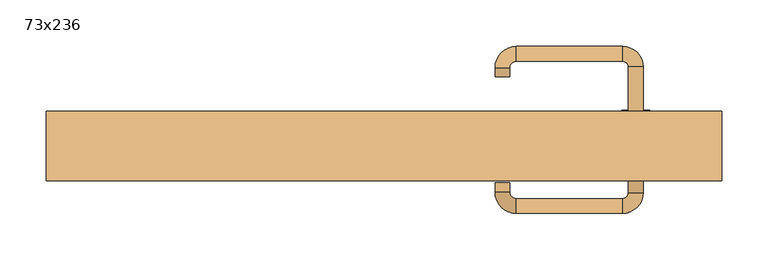
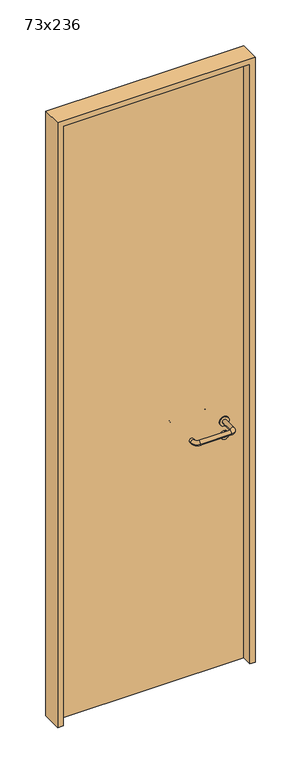
"""IFC4 building model written with IfcOpenShell, lengths in millimetres: door geometry, 73x236."""

import ifcopenshell
import ifcopenshell.guid

model = None  # the IFC model being written
_history = None  # IfcOwnerHistory: only IFC2X3 demands one
_inside = {}  # id of a spatial element -> (the spatial element, [elements in it])
_under = {}  # id of a project, library or spatial element -> (it, [spatial elements below it])
_declared = {}  # id of a project -> (the project, [libraries it declares])
_typed = {}  # id of a type object -> (the type object, [elements of that type])
_made_of = {}  # id of a material, layer set ... -> (it, [elements and type objects made of it])


def new_model(schema):
    """Start an empty IFC model of exactly this schema.

    Asked for "IFC4X3", IfcOpenShell would pick the latest addendum, in which some entities
    have other attributes; the version numbers below select the first issue.
    IFC2X3 requires an IfcOwnerHistory on every rooted entity: one is made here for all.
    """
    global model, _history
    if schema == "IFC4X3":
        model = ifcopenshell.file(schema_version=(4, 3, 0, 0))
    else:
        model = ifcopenshell.file(schema=schema)
    _inside.clear()
    _under.clear()
    _declared.clear()
    _typed.clear()
    _made_of.clear()
    _history = None
    if model.schema == "IFC2X3":
        org = make("IfcOrganization", Name="unknown")
        user = make(
            "IfcPersonAndOrganization",
            ThePerson=make("IfcPerson", FamilyName="unknown"),
            TheOrganization=org,
        )
        app = make(
            "IfcApplication",
            ApplicationDeveloper=org,
            Version="unknown",
            ApplicationFullName="unknown",
            ApplicationIdentifier="unknown",
        )
        _history = make(
            "IfcOwnerHistory",
            OwningUser=user,
            OwningApplication=app,
            ChangeAction="ADDED",
            CreationDate=0,
        )
    return model


def make(cls, **values):
    """One entity of the class cls with the attributes given. An attribute that is None is left unset."""
    return model.create_entity(
        cls, **{name: value for name, value in values.items() if value is not None}
    )


def rooted(cls, **values):
    """An entity with a GlobalId (a new one), such as an element, a storey or a relation."""
    return make(cls, GlobalId=ifcopenshell.guid.new(), OwnerHistory=_history, **values)


def si_unit(unit_type, name, prefix=None):
    """IfcSIUnit, for example si_unit("LENGTHUNIT", "METRE", prefix="MILLI")."""
    return make("IfcSIUnit", UnitType=unit_type, Prefix=prefix, Name=name)


def assignment(units):
    """IfcUnitAssignment: the units of a project."""
    return None if units is None else make("IfcUnitAssignment", Units=units)


def point(xyz):
    """IfcCartesianPoint."""
    return None if xyz is None else make("IfcCartesianPoint", Coordinates=xyz)


def direction(xyz):
    """IfcDirection."""
    return None if xyz is None else make("IfcDirection", DirectionRatios=xyz)


def frame(location, z_axis=None, x_axis=None):
    """IfcAxis2Placement3D, a coordinate frame: its origin and axes. An axis left out is left unset."""
    return make(
        "IfcAxis2Placement3D",
        Location=point(location),
        Axis=direction(z_axis),
        RefDirection=direction(x_axis),
    )


def frame_2d(location, x_axis=None):
    """IfcAxis2Placement2D, a coordinate frame in the plane: its origin and x axis."""
    return make(
        "IfcAxis2Placement2D", Location=point(location), RefDirection=direction(x_axis)
    )


def origin():
    """The frame at (0, 0, 0) with its axes left unset."""
    return frame((0.0, 0.0, 0.0))


def origin_with_axes():
    """The frame at (0, 0, 0) with the z axis (0, 0, 1) and the x axis (1, 0, 0) written out."""
    return frame((0.0, 0.0, 0.0), z_axis=(0.0, 0.0, 1.0), x_axis=(1.0, 0.0, 0.0))


def place(relative_to, where):
    """IfcLocalPlacement: puts the frame where relative to a parent placement (None: the world)."""
    return make(
        "IfcLocalPlacement", PlacementRelTo=relative_to, RelativePlacement=where
    )


def context(
    kind, dimensions, precision=None, world=None, true_north=None, identifier=None
):
    """IfcGeometricRepresentationContext, for example the 3D "Model" context."""
    return make(
        "IfcGeometricRepresentationContext",
        ContextIdentifier=identifier,
        ContextType=kind,
        CoordinateSpaceDimension=dimensions,
        Precision=precision,
        WorldCoordinateSystem=world,
        TrueNorth=true_north,
    )


def project(units=None, contexts=None):
    """IfcProject with its units and contexts."""
    return rooted(
        "IfcProject",
        Name="project",
        RepresentationContexts=contexts,
        UnitsInContext=assignment(units),
    )


def spatial(cls, under=None, at=None, **own):
    """A site, building, storey or space (cls), placed at a placement, below another one or the project."""
    s = rooted(cls, ObjectPlacement=at, **own)
    if under is not None:
        _under.setdefault(under.id(), (under, []))[1].append(s)
    return s


def polyline(points):
    """IfcPolyline through the points."""
    return make("IfcPolyline", Points=[point(p) for p in points])


def circle_curve(where, radius):
    """IfcCircle in the frame where."""
    return make("IfcCircle", Position=where, Radius=radius)


def ellipse_curve(where, semi_axis1, semi_axis2):
    """IfcEllipse in the frame where."""
    return make(
        "IfcEllipse", Position=where, SemiAxis1=semi_axis1, SemiAxis2=semi_axis2
    )


def trimmed(basis, trim1, trim2, sense, master):
    """IfcTrimmedCurve: the piece of a basis curve between two trims."""
    return make(
        "IfcTrimmedCurve",
        BasisCurve=basis,
        Trim1=trim1,
        Trim2=trim2,
        SenseAgreement=sense,
        MasterRepresentation=master,
    )


def segment(curve, same_sense, transition):
    """IfcCompositeCurveSegment."""
    return make(
        "IfcCompositeCurveSegment",
        Transition=transition,
        SameSense=same_sense,
        ParentCurve=curve,
    )


def composite_curve(segments, self_intersect=None):
    """IfcCompositeCurve: segments joined end to end."""
    return make("IfcCompositeCurve", Segments=segments, SelfIntersect=self_intersect)


def outline(outer, holes=None, kind="AREA"):
    """IfcArbitraryClosedProfileDef: a profile drawn as a closed curve; with holes, ...WithVoids."""
    if holes is None:
        return make("IfcArbitraryClosedProfileDef", ProfileType=kind, OuterCurve=outer)
    return make(
        "IfcArbitraryProfileDefWithVoids",
        ProfileType=kind,
        OuterCurve=outer,
        InnerCurves=holes,
    )


def extrude(swept, where, along, depth):
    """IfcExtrudedAreaSolid: the profile swept, set in the frame where, extruded along a direction by depth."""
    return make(
        "IfcExtrudedAreaSolid",
        SweptArea=swept,
        Position=where,
        ExtrudedDirection=direction(along),
        Depth=depth,
    )


def shape(context_of_items, identifier, shape_type, items):
    """IfcShapeRepresentation: the items that make up one representation, for example the "Body"."""
    return make(
        "IfcShapeRepresentation",
        ContextOfItems=context_of_items,
        RepresentationIdentifier=identifier,
        RepresentationType=shape_type,
        Items=items,
    )


def source(mapping_origin, context_of_items, identifier, shape_type, items):
    """IfcRepresentationMap: a shape defined once, which mapped items show again and again."""
    return make(
        "IfcRepresentationMap",
        MappingOrigin=mapping_origin,
        MappedRepresentation=shape(context_of_items, identifier, shape_type, items),
    )


def transform(
    local_origin,
    x_axis=None,
    y_axis=None,
    z_axis=None,
    scale=None,
    scale2=None,
    scale3=None,
    uniform=True,
):
    """IfcCartesianTransformationOperator3D, or its non-uniform kind. x_axis, y_axis, z_axis: its Axis1, 2, 3."""
    if uniform:
        return make(
            "IfcCartesianTransformationOperator3D",
            Axis1=direction(x_axis),
            Axis2=direction(y_axis),
            LocalOrigin=point(local_origin),
            Scale=scale,
            Axis3=direction(z_axis),
        )
    return make(
        "IfcCartesianTransformationOperator3DnonUniform",
        Axis1=direction(x_axis),
        Axis2=direction(y_axis),
        LocalOrigin=point(local_origin),
        Scale=scale,
        Axis3=direction(z_axis),
        Scale2=scale2,
        Scale3=scale3,
    )


def mapped(mapping_source, mapping_target):
    """IfcMappedItem: shows the shape of a source again, moved by a transform."""
    return make(
        "IfcMappedItem", MappingSource=mapping_source, MappingTarget=mapping_target
    )


def made_of(thing, what):
    """Note that an element or type object is made of a material, layer set ...; save() writes the relation."""
    if what is not None:
        _made_of.setdefault(what.id(), (what, []))[1].append(thing)
    return thing


def element(
    cls,
    number,
    at=None,
    inside=None,
    cuts=None,
    type_object=None,
    material=None,
    context=None,
    identifier="Body",
    shape_type=None,
    held_by="IfcProductDefinitionShape",
    body=None,
    shapes=None,
    **own,
):
    """One element of the class cls, such as IfcWall. Its Tag is "e" and its number.

    at: its placement. inside: the storey or other place that contains it. cuts: it is an
    opening in that element (IfcRelVoidsElement). A single representation is given by context,
    identifier, shape_type and body (its items); several are given by shapes. held_by: the class
    of the entity that holds the representations. save() writes the other relations.
    """
    e = rooted(cls, Tag="e%d" % number, ObjectPlacement=at, **own)
    if body is not None:
        shapes = [shape(context, identifier, shape_type, body)]
    if shapes is not None:
        e.Representation = make(held_by, Representations=shapes)
    if inside is not None:
        _inside.setdefault(inside.id(), (inside, []))[1].append(e)
    if cuts is not None:
        rooted(
            "IfcRelVoidsElement", RelatingBuildingElement=cuts, RelatedOpeningElement=e
        )
    if type_object is not None:
        _typed.setdefault(type_object.id(), (type_object, []))[1].append(e)
    return made_of(e, material)


def aggregate(whole, parts):
    """IfcRelAggregates: a whole, such as a stair, and the parts it consists of."""
    return rooted("IfcRelAggregates", RelatingObject=whole, RelatedObjects=parts)


def save(model, path):
    """Write the relations noted so far, then the file.

    IfcRelAggregates (storeys below a building ...), IfcRelContainedInSpatialStructure (elements
    in a storey), IfcRelDefinesByType, IfcRelAssociatesMaterial and IfcRelDeclares: one each for
    every whole, place, type object, material and project.
    """
    for whole, parts in _under.values():
        aggregate(whole, parts)
    for where, things in _inside.values():
        rooted(
            "IfcRelContainedInSpatialStructure",
            RelatedElements=things,
            RelatingStructure=where,
        )
    for kind, things in _typed.values():
        rooted("IfcRelDefinesByType", RelatedObjects=things, RelatingType=kind)
    for what, things in _made_of.values():
        rooted("IfcRelAssociatesMaterial", RelatedObjects=things, RelatingMaterial=what)
    for by, libraries in _declared.values():
        rooted("IfcRelDeclares", RelatingContext=by, RelatedDefinitions=libraries)
    model.write(path)


def plane_surface(at):
    """IfcPlane: the flat surface through the origin of the frame at, square to its z axis."""
    return make("IfcPlane", Position=at)


def cylinder_surface(at, radius):
    """IfcCylindricalSurface: all points at the distance radius from the z axis of the frame at."""
    return make("IfcCylindricalSurface", Position=at, Radius=radius)


def revolved_surface(curve, axis_point, axis_direction):
    """IfcSurfaceOfRevolution: the curve turned about the line through axis_point along axis_direction."""
    return make(
        "IfcSurfaceOfRevolution",
        SweptCurve=make("IfcArbitraryOpenProfileDef", ProfileType="CURVE", Curve=curve),
        AxisPosition=make("IfcAxis1Placement", Location=point(axis_point), Axis=direction(axis_direction)),
    )


def advanced_brep(points, edges, surfaces, faces):
    """IfcAdvancedBrep: a solid bounded by faces that lie on surfaces and meet in shared edges.

    An edge is (start, end): straight between two places in points (the first is 0);
    or (start, end, curve); or (start, end, curve, False) where it runs against its curve.
    A face is (place in surfaces, loops), or (place, loops, False) where it looks against
    its surface's normal. A loop lists edges by number (the first is 1), with a minus sign
    where the edge is run from its end to its start. The first loop is the outer one.
    """
    corners = [point(p) for p in points]
    vertices = [make("IfcVertexPoint", VertexGeometry=c) for c in corners]
    made = []
    for start, end, *more in edges:
        made.append(
            make(
                "IfcEdgeCurve",
                EdgeStart=vertices[start],
                EdgeEnd=vertices[end],
                EdgeGeometry=more[0] if more else make("IfcPolyline", Points=[corners[start], corners[end]]),
                SameSense=more[1] if len(more) > 1 else True,
            )
        )
    hull = []
    for where, loops, *sense in faces:
        bounds = []
        for j, loop in enumerate(loops):
            ring = [make("IfcOrientedEdge", EdgeElement=made[abs(k) - 1], Orientation=k > 0) for k in loop]
            bounds.append(
                make(
                    "IfcFaceOuterBound" if j == 0 else "IfcFaceBound",
                    Bound=make("IfcEdgeLoop", EdgeList=ring),
                    Orientation=True,
                )
            )
        hull.append(make("IfcAdvancedFace", Bounds=bounds, FaceSurface=surfaces[where], SameSense=sense[0] if sense else True))
    return make("IfcAdvancedBrep", Outer=make("IfcClosedShell", CfsFaces=hull))


def door_73x236_fe212441(model_context):
    return source(origin(), model_context, "Body", "SolidModel", [
        extrude(outline(composite_curve([segment(trimmed(circle_curve(frame_2d((897.3605726, 272.0)), 15.0), [point((897.3605726, 287.0))], [point((897.3605726, 257.0))], False, "CARTESIAN"), True, "CONTINUOUS"), segment(trimmed(circle_curve(frame_2d((897.3605726, 272.0)), 15.0), [point((897.3605726, 257.0))], [point((897.3605726, 287.0))], False, "CARTESIAN"), True, "CONTINUOUS")], self_intersect=False), holes=[composite_curve([segment(trimmed(circle_curve(frame_2d((892.5833211, 271.9398032)), 2.0), [point((892.5833211, 273.9398032))], [point((892.5833211, 269.9398032))], True, "CARTESIAN"), True, "CONTINUOUS"), segment(polyline([(892.5833211, 269.9398032), (902.5833211, 269.9398032)]), True, "CONTINUOUS"), segment(trimmed(circle_curve(frame_2d((902.5833211, 271.9398032)), 2.0), [point((902.5833211, 269.9398032))], [point((902.5833211, 273.9398032))], True, "CARTESIAN"), True, "CONTINUOUS"), segment(polyline([(902.5833211, 273.9398032), (892.5833211, 273.9398032)]), True, "CONTINUOUS")], self_intersect=False)]), frame((0.0, 21.15, 0.0), z_axis=(0.0, 1.0, 0.0), x_axis=(0.0, 0.0, 1.0)), (0.0, 0.0, 1.0), 6.35),
        extrude(outline(composite_curve([segment(trimmed(circle_curve(frame_2d((950.0, 272.0)), 17.526), [point((950.0, 289.526))], [point((950.0, 254.474))], False, "CARTESIAN"), True, "CONTINUOUS"), segment(trimmed(circle_curve(frame_2d((950.0, 272.0)), 17.526), [point((950.0, 254.474))], [point((950.0, 289.526))], False, "CARTESIAN"), True, "CONTINUOUS")], self_intersect=False)), frame((0.0, 24.325, 0.0), z_axis=(0.0, 1.0, 0.0), x_axis=(0.0, 0.0, 1.0)), (0.0, 0.0, 1.0), 3.175),
        advanced_brep(
        [(280.0, 27.5, 950.0), (264.0, 27.5, 950.0), (264.0, -25.5, 950.0), (280.0, -25.5, 950.0), (257.8578644, -31.6421356, 950.0), (257.8578644, -47.6421356, 950.0), (142.8578644, -31.6421356, 950.0), (142.8578644, -47.6421356, 950.0), (136.008622, -24.7928932, 950.0), (120.008622, -24.7928932, 950.0), (120.008622, -14.7928932, 950.0), (136.008622, -14.7928932, 950.0)],
        [
            (0, 1, circle_curve(frame((272.0, 27.5, 950.0), z_axis=(0.0, 1.0, 0.0), x_axis=(-1.0, 0.0, 0.0)), 8.0)),
            (1, 0, circle_curve(frame((272.0, 27.5, 950.0), z_axis=(0.0, 1.0, 0.0), x_axis=(-1.0, 0.0, 0.0)), 8.0)),
            (1, 2),
            (2, 3, circle_curve(frame((272.0, -25.5, 950.0), z_axis=(0.0, 1.0, 0.0), x_axis=(-1.0, 0.0, 0.0)), 8.0)),
            (3, 0),
            (3, 2, circle_curve(frame((272.0, -25.5, 950.0), z_axis=(0.0, 1.0, 0.0), x_axis=(-1.0, 0.0, 0.0)), 8.0)),
            (4, 5, circle_curve(frame((257.8578644, -39.6421356, 950.0), z_axis=(1.0, 0.0, 0.0), x_axis=(0.0, 1.0, 0.0)), 8.0)),
            (5, 3, circle_curve(frame((257.8578644, -25.5, 950.0), z_axis=(0.0, 0.0, 1.0), x_axis=(1.0, 0.0, 0.0)), 22.1421356)),
            (2, 4, circle_curve(frame((257.8578644, -25.5, 950.0), z_axis=(0.0, 0.0, -1.0), x_axis=(1.0, 0.0, 0.0)), 6.1421356)),
            (5, 4, circle_curve(frame((257.8578644, -39.6421356, 950.0), z_axis=(1.0, 0.0, 0.0), x_axis=(0.0, 1.0, 0.0)), 8.0)),
            (4, 6),
            (6, 7, circle_curve(frame((142.8578644, -39.6421356, 950.0), z_axis=(1.0, 0.0, 0.0), x_axis=(0.0, 1.0, 0.0)), 8.0)),
            (7, 5),
            (7, 6, circle_curve(frame((142.8578644, -39.6421356, 950.0), z_axis=(1.0, 0.0, 0.0), x_axis=(0.0, 1.0, 0.0)), 8.0)),
            (8, 9, circle_curve(frame((128.008622, -24.7928932, 950.0), z_axis=(0.0, -1.0, 0.0), x_axis=(1.0, 0.0, 0.0)), 8.0)),
            (9, 7, circle_curve(frame((142.8578644, -24.7928932, 950.0), z_axis=(0.0, 0.0, 1.0), x_axis=(0.0, -1.0, 0.0)), 22.8492424)),
            (6, 8, circle_curve(frame((142.8578644, -24.7928932, 950.0), z_axis=(0.0, 0.0, -1.0), x_axis=(0.0, -1.0, 0.0)), 6.8492424)),
            (9, 8, circle_curve(frame((128.008622, -24.7928932, 950.0), z_axis=(0.0, -1.0, 0.0), x_axis=(1.0, 0.0, 0.0)), 8.0)),
            (10, 11, circle_curve(frame((128.008622, -14.7928932, 950.0), z_axis=(0.0, 1.0, 0.0), x_axis=(1.0, 0.0, 0.0)), 8.0)),
            (11, 10, circle_curve(frame((128.008622, -14.7928932, 950.0), z_axis=(0.0, 1.0, 0.0), x_axis=(1.0, 0.0, 0.0)), 8.0)),
            (8, 11),
            (10, 9),
        ],
        [
            plane_surface(frame((272.0, 27.5, 0.0), z_axis=(0.0, 1.0, 0.0), x_axis=(0.0, 0.0, 1.0))),
            cylinder_surface(frame((272.0, 27.5, 950.0), z_axis=(0.0, 1.0, 0.0), x_axis=(-1.0, 0.0, 0.0)), 8.0),
            revolved_surface(trimmed(ellipse_curve(frame((272.0, -25.5, 950.0), z_axis=(0.0, -1.0, 0.0), x_axis=(-1.0, 0.0, 0.0)), 8.0, 8.0), [point((280.0, -25.5, 950.0))], [point((264.0, -25.5, 950.0))], True, "CARTESIAN"), (257.8578644, -25.5, 0.0), (0.0, 0.0, 1.0)),
            revolved_surface(trimmed(ellipse_curve(frame((272.0, -25.5, 950.0), z_axis=(0.0, -1.0, 0.0), x_axis=(-1.0, 0.0, 0.0)), 8.0, 8.0), [point((264.0, -25.5, 950.0))], [point((280.0, -25.5, 950.0))], True, "CARTESIAN"), (257.8578644, -25.5, 0.0), (0.0, 0.0, 1.0)),
            cylinder_surface(frame((257.8578644, -39.6421356, 950.0), z_axis=(1.0, 0.0, 0.0), x_axis=(0.0, 1.0, 0.0)), 8.0),
            revolved_surface(trimmed(ellipse_curve(frame((142.8578644, -39.6421356, 950.0), z_axis=(-1.0, 0.0, 0.0), x_axis=(0.0, 1.0, 0.0)), 8.0, 8.0), [point((142.8578644, -47.6421356, 950.0))], [point((142.8578644, -31.6421356, 950.0))], True, "CARTESIAN"), (142.8578644, -24.7928932, 0.0), (0.0, 0.0, 1.0)),
            revolved_surface(trimmed(ellipse_curve(frame((142.8578644, -39.6421356, 950.0), z_axis=(-1.0, 0.0, 0.0), x_axis=(0.0, 1.0, 0.0)), 8.0, 8.0), [point((142.8578644, -31.6421356, 950.0))], [point((142.8578644, -47.6421356, 950.0))], True, "CARTESIAN"), (142.8578644, -24.7928932, 0.0), (0.0, 0.0, 1.0)),
            plane_surface(frame((128.008622, -14.7928932, 0.0), z_axis=(0.0, 1.0, 0.0), x_axis=(0.0, 0.0, 1.0))),
            cylinder_surface(frame((128.008622, -24.7928932, 950.0), z_axis=(0.0, -1.0, 0.0), x_axis=(1.0, 0.0, 0.0)), 8.0),
        ],
        [
            (0, [[1, 2]]),
            (1, [[3, 4, 5, -2]]),
            (1, [[-5, 6, -3, -1]]),
            (2, [[7, 8, -4, 9]]),
            (3, [[10, -9, -6, -8]]),
            (4, [[11, 12, 13, -7]]),
            (4, [[-13, 14, -11, -10]]),
            (5, [[15, 16, -12, 17]]),
            (6, [[18, -17, -14, -16]]),
            (7, [[19, 20]]),
            (8, [[21, -19, 22, -15]]),
            (8, [[-22, -20, -21, -18]]),
        ],
    ),
        extrude(outline(composite_curve([segment(trimmed(circle_curve(frame_2d((0.0, -15.0)), 15.0), [point((0.0, -30.0))], [point((0.0, 0.0))], False, "CARTESIAN"), True, "CONTINUOUS"), segment(trimmed(circle_curve(frame_2d((0.0, -15.0)), 15.0), [point((0.0, 0.0))], [point((0.0, -30.0))], False, "CARTESIAN"), True, "CONTINUOUS")], self_intersect=False), holes=[composite_curve([segment(trimmed(circle_curve(frame_2d((4.7772515, -14.9398032)), 2.0), [point((4.7772515, -16.9398032))], [point((4.7772515, -12.9398032))], True, "CARTESIAN"), True, "CONTINUOUS"), segment(polyline([(4.7772515, -12.9398032), (-5.2227485, -12.9398032)]), True, "CONTINUOUS"), segment(trimmed(circle_curve(frame_2d((-5.2227485, -14.9398032)), 2.0), [point((-5.2227485, -12.9398032))], [point((-5.2227485, -16.9398032))], True, "CARTESIAN"), True, "CONTINUOUS"), segment(polyline([(-5.2227485, -16.9398032), (4.7772515, -16.9398032)]), True, "CONTINUOUS")], self_intersect=False)]), frame((257.0, 57.5, 897.3605726), z_axis=(1.8870575173328306e-12, 1.0, 0.0), x_axis=(0.0, 0.0, -1.0)), (0.0, 0.0, 1.0), 6.35),
        extrude(outline(composite_curve([segment(trimmed(circle_curve(frame_2d((0.0, -17.526)), 17.526), [point((0.0, -35.052))], [point((0.0, 0.0))], False, "CARTESIAN"), True, "CONTINUOUS"), segment(trimmed(circle_curve(frame_2d((0.0, -17.526)), 17.526), [point((0.0, 0.0))], [point((0.0, -35.052))], False, "CARTESIAN"), True, "CONTINUOUS")], self_intersect=False)), frame((254.474, 57.5, 950.0), z_axis=(1.8870575173328306e-12, 1.0, 0.0), x_axis=(0.0, 0.0, -1.0)), (0.0, 0.0, 1.0), 3.175),
        advanced_brep(
        [(280.0, 57.5, 950.0), (264.0, 57.5, 950.0), (280.0, 110.5, 950.0), (264.0, 110.5, 950.0), (257.8578644, 116.6421356, 950.0), (257.8578644, 132.6421356, 950.0), (142.8578644, 132.6421356, 950.0), (142.8578644, 116.6421356, 950.0), (136.008622, 109.7928932, 950.0), (120.008622, 109.7928932, 950.0), (120.008622, 99.7928932, 950.0), (136.008622, 99.7928932, 950.0)],
        [
            (0, 1, circle_curve(frame((272.0, 57.5, 950.0), z_axis=(-1.888672253512351e-12, -1.0, 0.0), x_axis=(-1.0, 1.888672253512351e-12, 0.0)), 8.0)),
            (1, 0, circle_curve(frame((272.0, 57.5, 950.0), z_axis=(-1.888672253512351e-12, -1.0, 0.0), x_axis=(-1.0, 1.888672253512351e-12, 0.0)), 8.0)),
            (0, 2),
            (2, 3, circle_curve(frame((272.0, 110.5, 950.0), z_axis=(-1.888672253512351e-12, -1.0, 0.0), x_axis=(-1.0, 1.888672253512351e-12, 0.0)), 8.0)),
            (3, 1),
            (3, 2, circle_curve(frame((272.0, 110.5, 950.0), z_axis=(-1.888672253512351e-12, -1.0, 0.0), x_axis=(-1.0, 1.888672253512351e-12, 0.0)), 8.0)),
            (4, 3, circle_curve(frame((257.8578644, 110.5, 950.0), z_axis=(0.0, 0.0, -1.0), x_axis=(1.0, -1.880717803715015e-12, 0.0)), 6.1421356)),
            (2, 5, circle_curve(frame((257.8578644, 110.5, 950.0), z_axis=(0.0, 0.0, 1.0), x_axis=(1.0, -1.880717803715015e-12, 0.0)), 22.1421356)),
            (5, 4, circle_curve(frame((257.8578644, 124.6421356, 950.0), z_axis=(1.0, -1.913702061528922e-12, 0.0), x_axis=(-1.913702061528922e-12, -1.0, 0.0)), 8.0)),
            (4, 5, circle_curve(frame((257.8578644, 124.6421356, 950.0), z_axis=(1.0, -1.913702061528922e-12, 0.0), x_axis=(-1.913702061528922e-12, -1.0, 0.0)), 8.0)),
            (5, 6),
            (6, 7, circle_curve(frame((142.8578644, 124.6421356, 950.0), z_axis=(1.0, -1.913719828541269e-12, 0.0), x_axis=(-1.913719828541269e-12, -1.0, 0.0)), 8.0)),
            (7, 4),
            (7, 6, circle_curve(frame((142.8578644, 124.6421356, 950.0), z_axis=(1.0, -1.913719828541269e-12, 0.0), x_axis=(-1.913719828541269e-12, -1.0, 0.0)), 8.0)),
            (8, 7, circle_curve(frame((142.8578644, 109.7928932, 950.0), z_axis=(0.0, 0.0, -1.0), x_axis=(1.9120873253494017e-12, 1.0, 0.0)), 6.8492424)),
            (6, 9, circle_curve(frame((142.8578644, 109.7928932, 950.0), z_axis=(0.0, 0.0, 1.0), x_axis=(1.9120873253494017e-12, 1.0, 0.0)), 22.8492424)),
            (9, 8, circle_curve(frame((128.008622, 109.7928932, 950.0), z_axis=(1.890448610351751e-12, 1.0, 0.0), x_axis=(1.0, -1.890448610351751e-12, 0.0)), 8.0)),
            (8, 9, circle_curve(frame((128.008622, 109.7928932, 950.0), z_axis=(1.8888942981172756e-12, 1.0, 0.0), x_axis=(1.0, -1.8888942981172756e-12, 0.0)), 8.0)),
            (10, 11, circle_curve(frame((128.008622, 99.7928932, 950.0), z_axis=(-1.8903642334018795e-12, -1.0, 0.0), x_axis=(1.0, -1.8903642334018795e-12, 0.0)), 8.0)),
            (11, 10, circle_curve(frame((128.008622, 99.7928932, 950.0), z_axis=(-1.8903642334018795e-12, -1.0, 0.0), x_axis=(1.0, -1.8903642334018795e-12, 0.0)), 8.0)),
            (9, 10),
            (11, 8),
        ],
        [
            plane_surface(frame((272.0, 57.5, 0.0), z_axis=(-1.8870575173328306e-12, -1.0, 0.0), x_axis=(0.0, 0.0, 1.0))),
            cylinder_surface(frame((272.0, 57.5, 950.0), z_axis=(-1.888672253512351e-12, -1.0, 0.0), x_axis=(-1.0, 1.888672253512351e-12, 0.0)), 8.0),
            revolved_surface(trimmed(ellipse_curve(frame((272.0, 110.5, 950.0), z_axis=(-1.8823325398945356e-12, -1.0, 0.0), x_axis=(-1.0, 1.8823325398945356e-12, 0.0)), 8.0, 8.0), [point((280.0, 110.5, 950.0))], [point((264.0, 110.5, 950.0))], True, "CARTESIAN"), (257.8578644, 110.5, 0.0), (0.0, 0.0, 1.0)),
            revolved_surface(trimmed(ellipse_curve(frame((272.0, 110.5, 950.0), z_axis=(-1.8823325398945356e-12, -1.0, 0.0), x_axis=(-1.0, 1.8823325398945356e-12, 0.0)), 8.0, 8.0), [point((264.0, 110.5, 950.0))], [point((280.0, 110.5, 950.0))], True, "CARTESIAN"), (257.8578644, 110.5, 0.0), (0.0, 0.0, 1.0)),
            cylinder_surface(frame((257.8578644, 124.6421356, 950.0), z_axis=(1.0, -1.913719828541269e-12, 0.0), x_axis=(-1.913719828541269e-12, -1.0, 0.0)), 8.0),
            revolved_surface(trimmed(ellipse_curve(frame((142.8578644, 124.6421356, 950.0), z_axis=(1.0, -1.913702061528922e-12, 0.0), x_axis=(-1.913702061528922e-12, -1.0, 0.0)), 8.0, 8.0), [point((142.8578644, 132.6421356, 950.0))], [point((142.8578644, 116.6421356, 950.0))], True, "CARTESIAN"), (142.8578644, 109.7928932, 0.0), (0.0, 0.0, 1.0)),
            revolved_surface(trimmed(ellipse_curve(frame((142.8578644, 124.6421356, 950.0), z_axis=(1.0, -1.913702061528922e-12, 0.0), x_axis=(-1.913702061528922e-12, -1.0, 0.0)), 8.0, 8.0), [point((142.8578644, 116.6421356, 950.0))], [point((142.8578644, 132.6421356, 950.0))], True, "CARTESIAN"), (142.8578644, 109.7928932, 0.0), (0.0, 0.0, 1.0)),
            plane_surface(frame((128.008622, 99.7928932, 0.0), z_axis=(-1.8887494972223595e-12, -1.0, 0.0), x_axis=(0.0, 0.0, 1.0))),
            cylinder_surface(frame((128.008622, 109.7928932, 950.0), z_axis=(1.8903642334018795e-12, 1.0, 0.0), x_axis=(1.0, -1.8903642334018795e-12, 0.0)), 8.0),
        ],
        [
            (0, [[1, 2]]),
            (1, [[-1, 3, 4, 5]]),
            (1, [[-2, -5, 6, -3]]),
            (2, [[7, -4, 8, 9]]),
            (3, [[-8, -6, -7, 10]]),
            (4, [[-9, 11, 12, 13]]),
            (4, [[-10, -13, 14, -11]]),
            (5, [[15, -12, 16, 17]]),
            (6, [[-16, -14, -15, 18]]),
            (7, [[19, 20]]),
            (8, [[-17, 21, -20, 22]]),
            (8, [[-18, -22, -19, -21]]),
        ],
    ),
        extrude(outline(polyline([(2340.0, 345.0), (0.0, 345.0), (0.0, 365.0), (2360.0, 365.0), (2360.0, -365.0), (0.0, -365.0), (0.0, -345.0), (2340.0, -345.0), (2340.0, 345.0)])), frame((0.0, -12.5, 0.0), z_axis=(0.0, 1.0, 0.0), x_axis=(0.0, 0.0, 1.0)), (0.0, 0.0, 1.0), 75.0),
        extrude(outline(polyline([(-345.0, 57.5), (345.0, 57.5), (345.0, 27.5), (-345.0, 27.5), (-345.0, 57.5)])), origin_with_axes(), (0.0, 0.0, 1.0), 2340.0),
    ])


if __name__ == "__main__":
    model = new_model("IFC4")
    model_context = context("Model", 3, world=origin())
    ifc_project = project(units=[si_unit("LENGTHUNIT", "METRE", prefix="MILLI")], contexts=[model_context])
    site = spatial("IfcSite", under=ifc_project)
    building = spatial("IfcBuilding", under=site)
    placement = place(None, origin())
    door_73x236_shape = door_73x236_fe212441(model_context)
    element("IfcDoor", 1, ObjectType="73x236", at=placement, inside=building, context=model_context, shape_type="MappedRepresentation", body=[
        mapped(door_73x236_shape, transform((0.0, 0.0, 0.0), x_axis=(1.0, 0.0, 0.0), y_axis=(0.0, 1.0, 0.0), z_axis=(0.0, 0.0, 1.0))),
    ])
    save(model, "model.ifc")
